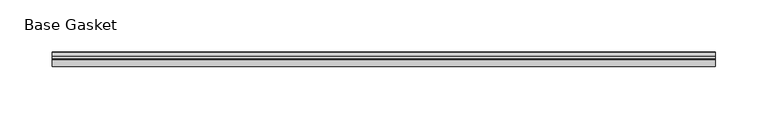
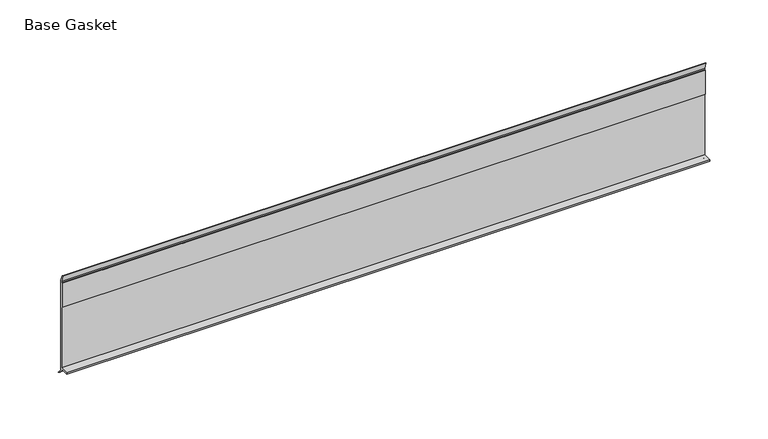
"""IFC4 building model written with IfcOpenShell, lengths in millimetres: furniture geometry, Base Gasket."""

from ifc_helpers import new_model, si_unit, frame, origin, place, context, project, spatial, polyline, outline, extrude, source, transform, mapped, element, save


def base_gasket_dd8f29b9(model_context):
    return source(origin(), model_context, "Body", "SweptSolid", [
        extrude(outline(polyline([(3.7283812, 98.4568417), (3.7283812, 4.3498477), (7.4222115, 0.6560174), (7.8482342, 0.0), (6.8281054, 0.3520979), (2.2043812, 4.3498477), (2.1334222, 6.3818476), (-6.2405171, 6.3818476), (-6.2405171, 7.9398773), (2.2043812, 7.9398773), (2.2043812, 71.4693447), (1.4106313, 71.4693447), (1.4106313, 96.8693477), (2.2043812, 96.8693477), (2.2043812, 98.4568417), (0.6755308, 104.4162708), (0.6755308, 105.2002997), (1.1891543, 104.587663), (3.7283812, 98.4568417)])), frame((-1527.8982117, 0.0, 0.0), z_axis=(1.0, 0.0, 0.0), x_axis=(0.0, 1.0, 0.0)), (0.0, 0.0, 1.0), 635.0),
    ])


if __name__ == "__main__":
    model = new_model("IFC4")
    model_context = context("Model", 3, world=origin())
    ifc_project = project(units=[si_unit("LENGTHUNIT", "METRE", prefix="MILLI")], contexts=[model_context])
    site = spatial("IfcSite", under=ifc_project)
    building = spatial("IfcBuilding", under=site)
    placement = place(None, origin())
    base_gasket_shape = base_gasket_dd8f29b9(model_context)
    element("IfcFurniture", 1, ObjectType="Base Gasket", at=placement, inside=building, context=model_context, shape_type="MappedRepresentation", body=[
        mapped(base_gasket_shape, transform((0.0, 0.0, 0.0), x_axis=(1.0, 0.0, 0.0), y_axis=(0.0, 1.0, 0.0), z_axis=(0.0, 0.0, 1.0))),
    ])
    save(model, "model.ifc")
